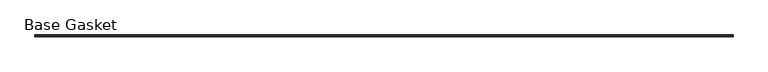
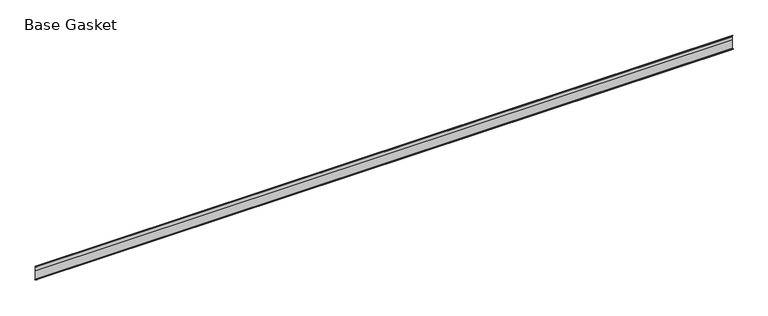
"""IFC4 building model written with IfcOpenShell, lengths in millimetres: furniture geometry, Base Gasket."""

from ifc_helpers import new_model, si_unit, frame, origin, place, context, project, spatial, polyline, outline, extrude, source, transform, mapped, element, save


def base_gasket_00543507(model_context):
    return source(origin(), model_context, "Body", "SweptSolid", [
        extrude(outline(polyline([(3.7283812, 98.4568417), (3.7283812, 4.3498477), (7.4222115, 0.6560174), (7.8482342, 0.0), (6.8281054, 0.3520979), (2.2043812, 4.3498477), (2.1334222, 6.3818476), (-6.2405171, 6.3818476), (-6.2405171, 7.9398773), (2.2043812, 7.9398773), (2.2043812, 71.4693447), (1.4106313, 71.4693447), (1.4106313, 96.8693477), (2.2043812, 96.8693477), (2.2043812, 98.4568417), (0.6755308, 104.4162708), (0.6755308, 105.2002997), (1.1891543, 104.587663), (3.7283812, 98.4568417)])), frame((-1527.8982117, 0.0, 0.0), z_axis=(1.0, 0.0, 0.0), x_axis=(0.0, 1.0, 0.0)), (0.0, 0.0, 1.0), 4979.434302),
    ])


if __name__ == "__main__":
    model = new_model("IFC4")
    model_context = context("Model", 3, world=origin())
    ifc_project = project(units=[si_unit("LENGTHUNIT", "METRE", prefix="MILLI")], contexts=[model_context])
    site = spatial("IfcSite", under=ifc_project)
    building = spatial("IfcBuilding", under=site)
    placement = place(None, origin())
    base_gasket_shape = base_gasket_00543507(model_context)
    element("IfcFurniture", 1, ObjectType="Base Gasket", at=placement, inside=building, context=model_context, shape_type="MappedRepresentation", body=[
        mapped(base_gasket_shape, transform((0.0, 0.0, 0.0), x_axis=(1.0, 0.0, 0.0), y_axis=(0.0, 1.0, 0.0), z_axis=(0.0, 0.0, 1.0))),
    ])
    save(model, "model.ifc")
